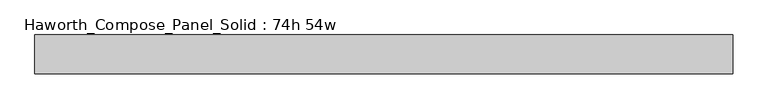
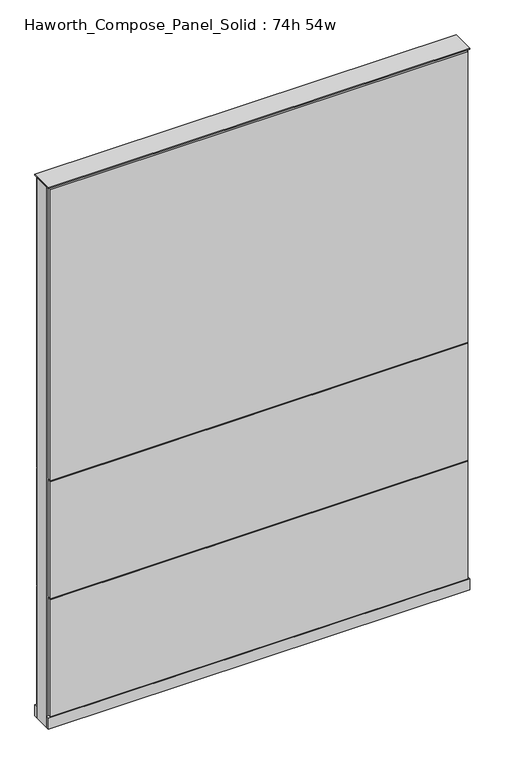
"""IFC4 building model written with IfcOpenShell, lengths in millimetres: furniture geometry, Haworth_Compose_Panel_Solid : 74h 54w."""

from ifc_helpers import new_model, si_unit, point, frame, frame_2d, origin, origin_with_axes, place, context, project, spatial, polyline, circle_curve, trimmed, segment, composite_curve, outline, extrude, source, transform, mapped, element, save


def haworth_compose_panel_solid_74h_54w_f87e2695(model_context):
    return source(origin(), model_context, "Body", "SweptSolid", [
        extrude(outline(composite_curve([segment(trimmed(circle_curve(frame_2d((-607.1597098, 0.0)), 12.7), [point((-619.8597098, 0.0))], [point((-594.4597098, 0.0))], False, "CARTESIAN"), True, "CONTINUOUS"), segment(trimmed(circle_curve(frame_2d((-607.1597098, 0.0)), 12.7), [point((-594.4597098, 0.0))], [point((-619.8597098, 0.0))], False, "CARTESIAN"), True, "CONTINUOUS")], self_intersect=False)), origin_with_axes(), (0.0, 0.0, 1.0), 12.7),
        extrude(outline(composite_curve([segment(trimmed(circle_curve(frame_2d((612.0402902, 0.0)), 12.7), [point((599.3402902, 0.0))], [point((624.7402902, 0.0))], False, "CARTESIAN"), True, "CONTINUOUS"), segment(trimmed(circle_curve(frame_2d((612.0402902, 0.0)), 12.7), [point((624.7402902, 0.0))], [point((599.3402902, 0.0))], False, "CARTESIAN"), True, "CONTINUOUS")], self_intersect=False)), origin_with_axes(), (0.0, 0.0, 1.0), 12.7),
        extrude(outline(polyline([(681.8902902, 38.1), (681.8902902, 25.4), (-677.0097098, 25.4), (-677.0097098, 38.1), (681.8902902, 38.1)])), frame((0.0, 0.0, 866.775), z_axis=(0.0, 0.0, 1.0), x_axis=(1.0, 0.0, 0.0)), (0.0, 0.0, 1.0), 1000.125),
        extrude(outline(polyline([(681.8902902, 38.1), (681.8902902, 25.4), (-677.0097098, 25.4), (-677.0097098, 38.1), (681.8902902, 38.1)])), frame((0.0, 0.0, 460.375), z_axis=(0.0, 0.0, 1.0), x_axis=(1.0, 0.0, 0.0)), (0.0, 0.0, 1.0), 403.225),
        extrude(outline(polyline([(681.8902902, 38.1), (681.8902902, 25.4), (-677.0097098, 25.4), (-677.0097098, 38.1), (681.8902902, 38.1)])), frame((0.0, 0.0, 53.975), z_axis=(0.0, 0.0, 1.0), x_axis=(1.0, 0.0, 0.0)), (0.0, 0.0, 1.0), 403.225),
        extrude(outline(polyline([(681.8902902, -38.1), (-677.0097098, -38.1), (-677.0097098, -25.4), (681.8902902, -25.4), (681.8902902, -38.1)])), frame((0.0, 0.0, 866.775), z_axis=(0.0, 0.0, 1.0), x_axis=(1.0, 0.0, 0.0)), (0.0, 0.0, 1.0), 1000.125),
        extrude(outline(polyline([(681.8902902, -38.1), (-677.0097098, -38.1), (-677.0097098, -25.4), (681.8902902, -25.4), (681.8902902, -38.1)])), frame((0.0, 0.0, 460.375), z_axis=(0.0, 0.0, 1.0), x_axis=(1.0, 0.0, 0.0)), (0.0, 0.0, 1.0), 403.225),
        extrude(outline(polyline([(681.8902902, -38.1), (-677.0097098, -38.1), (-677.0097098, -25.4), (681.8902902, -25.4), (681.8902902, -38.1)])), frame((0.0, 0.0, 53.975), z_axis=(0.0, 0.0, 1.0), x_axis=(1.0, 0.0, 0.0)), (0.0, 0.0, 1.0), 403.225),
        extrude(outline(polyline([(688.2402902, 25.4), (688.2402902, -25.4), (-683.3597098, -25.4), (-683.3597098, 25.4), (688.2402902, 25.4)])), frame((0.0, 0.0, 12.7), z_axis=(0.0, 0.0, 1.0), x_axis=(1.0, 0.0, 0.0)), (0.0, 0.0, 1.0), 1860.55),
        extrude(outline(polyline([(-683.3597098, -38.1), (-683.3597098, 38.1), (688.2402902, 38.1), (688.2402902, -38.1), (-683.3597098, -38.1)])), frame((0.0, 0.0, 12.7), z_axis=(0.0, 0.0, 1.0), x_axis=(1.0, 0.0, 0.0)), (0.0, 0.0, 1.0), 38.1),
        extrude(outline(polyline([(-683.3597098, -38.1), (-683.3597098, 38.1), (688.2402902, 38.1), (688.2402902, -38.1), (-683.3597098, -38.1)])), frame((0.0, 0.0, 1873.25), z_axis=(0.0, 0.0, 1.0), x_axis=(1.0, 0.0, 0.0)), (0.0, 0.0, 1.0), 3.175),
    ])


if __name__ == "__main__":
    model = new_model("IFC4")
    model_context = context("Model", 3, world=origin())
    ifc_project = project(units=[si_unit("LENGTHUNIT", "METRE", prefix="MILLI")], contexts=[model_context])
    site = spatial("IfcSite", under=ifc_project)
    building = spatial("IfcBuilding", under=site)
    placement = place(None, origin())
    haworth_compose_panel_solid_74h_54w_shape = haworth_compose_panel_solid_74h_54w_f87e2695(model_context)
    element("IfcFurniture", 1, ObjectType="Haworth_Compose_Panel_Solid : 74h 54w", at=placement, inside=building, context=model_context, shape_type="MappedRepresentation", body=[
        mapped(haworth_compose_panel_solid_74h_54w_shape, transform((0.0, 0.0, 0.0), x_axis=(1.0, 0.0, 0.0), y_axis=(0.0, 1.0, 0.0), z_axis=(0.0, 0.0, 1.0))),
    ])
    save(model, "model.ifc")
